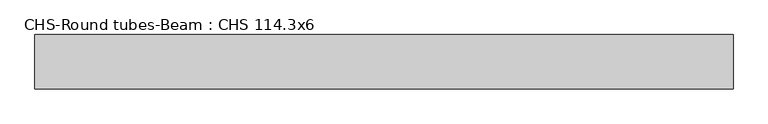
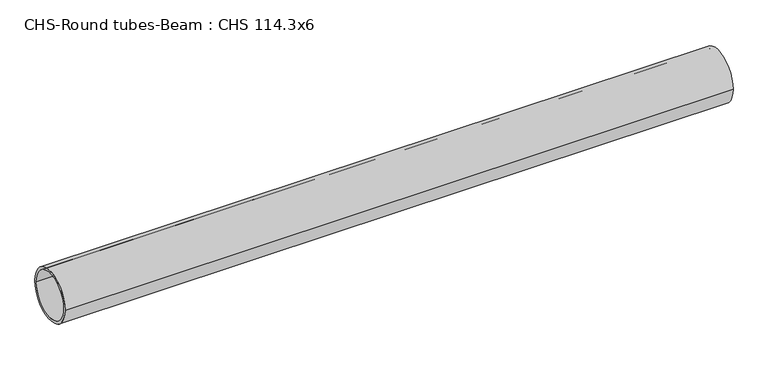
"""IFC4 building model written with IfcOpenShell, lengths in millimetres: beam geometry, CHS-Round tubes-Beam : CHS 114.3x6."""

from ifc_helpers import new_model, si_unit, point, frame, origin, origin_2d, place, context, project, spatial, circle_curve, trimmed, segment, composite_curve, outline, extrude, source, transform, mapped, element, save


def chs_round_tubes_beam_chs_114_3x6_ac69e58f(model_context):
    return source(origin(), model_context, "Body", "SweptSolid", [
        extrude(outline(composite_curve([segment(trimmed(circle_curve(origin_2d(), 57.15), [point((57.15, 0.0))], [point((-57.15, 0.0))], False, "CARTESIAN"), True, "CONTINUOUS"), segment(trimmed(circle_curve(origin_2d(), 57.15), [point((-57.15, 0.0))], [point((57.15, 0.0))], False, "CARTESIAN"), True, "CONTINUOUS")], self_intersect=False), holes=[composite_curve([segment(trimmed(circle_curve(origin_2d(), 51.15), [point((51.15, 0.0))], [point((-51.15, 0.0))], True, "CARTESIAN"), True, "CONTINUOUS"), segment(trimmed(circle_curve(origin_2d(), 51.15), [point((-51.15, 0.0))], [point((51.15, 0.0))], True, "CARTESIAN"), True, "CONTINUOUS")], self_intersect=False)]), frame((-702.0916146, 0.0, 0.0), z_axis=(1.0, 0.0, 0.0), x_axis=(0.0, 1.0, 0.0)), (0.0, 0.0, 1.0), 1465.0557581),
    ])


if __name__ == "__main__":
    model = new_model("IFC4")
    model_context = context("Model", 3, world=origin())
    ifc_project = project(units=[si_unit("LENGTHUNIT", "METRE", prefix="MILLI")], contexts=[model_context])
    site = spatial("IfcSite", under=ifc_project)
    building = spatial("IfcBuilding", under=site)
    placement = place(None, origin())
    chs_round_tubes_beam_chs_114_3x6_shape = chs_round_tubes_beam_chs_114_3x6_ac69e58f(model_context)
    element("IfcBeam", 1, ObjectType="CHS-Round tubes-Beam : CHS 114.3x6", at=placement, inside=building, context=model_context, shape_type="MappedRepresentation", body=[
        mapped(chs_round_tubes_beam_chs_114_3x6_shape, transform((0.0, 0.0, 0.0), x_axis=(1.0, 0.0, 0.0), y_axis=(0.0, 1.0, 0.0), z_axis=(0.0, 0.0, 1.0))),
    ])
    save(model, "model.ifc")
